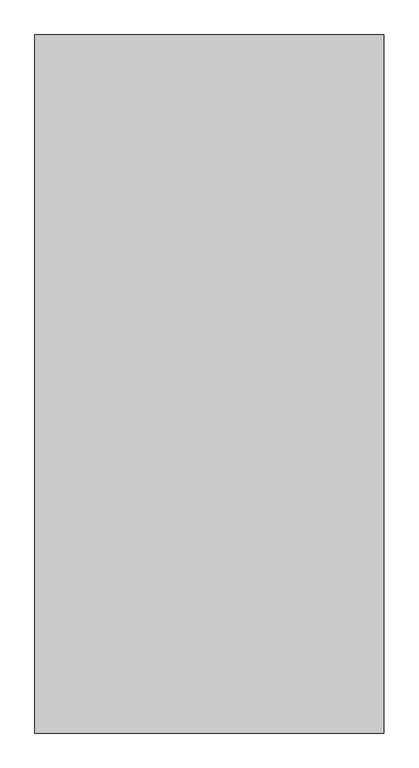
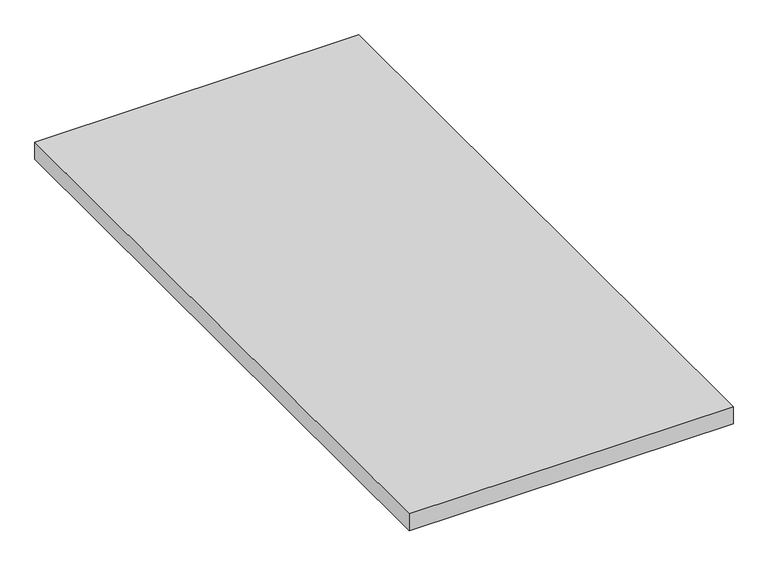
"""IFC4 building model written with IfcOpenShell, lengths in millimetres: proxy geometry."""

from ifc_helpers import new_model, si_unit, origin, origin_with_axes, place, context, project, spatial, polyline, outline, extrude, source, transform, mapped, element, save


def generic_models_eb4892eb(model_context):
    return source(origin(), model_context, "Body", "SweptSolid", [
        extrude(outline(polyline([(914.4, 0.0), (0.0, 0.0), (0.0, 1828.8), (914.4, 1828.8), (914.4, 0.0)])), origin_with_axes(), (0.0, 0.0, 1.0), 50.8),
    ])


if __name__ == "__main__":
    model = new_model("IFC4")
    model_context = context("Model", 3, world=origin())
    ifc_project = project(units=[si_unit("LENGTHUNIT", "METRE", prefix="MILLI")], contexts=[model_context])
    site = spatial("IfcSite", under=ifc_project)
    building = spatial("IfcBuilding", under=site)
    placement = place(None, origin())
    generic_models_shape = generic_models_eb4892eb(model_context)
    element("IfcBuildingElementProxy", 1, Name="Generic Models", at=placement, inside=building, context=model_context, shape_type="MappedRepresentation", body=[
        mapped(generic_models_shape, transform((0.0, 0.0, 0.0), x_axis=(1.0, 0.0, 0.0), y_axis=(0.0, 1.0, 0.0), z_axis=(0.0, 0.0, 1.0))),
    ])
    save(model, "model.ifc")
